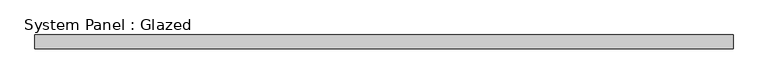
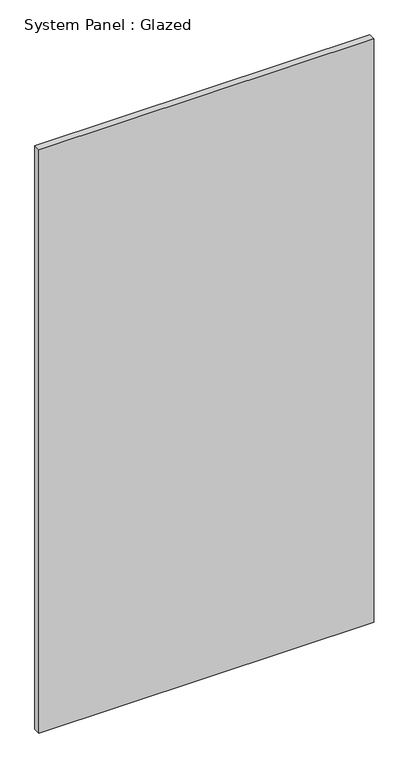
"""IFC4 building model written with IfcOpenShell, lengths in millimetres: plate geometry, System Panel : Glazed."""

from ifc_helpers import new_model, si_unit, origin, origin_with_axes, place, context, project, spatial, polyline, outline, extrude, source, transform, mapped, element, save


def system_panel_glazed_5dd155e4(model_context):
    return source(origin(), model_context, "Body", "SweptSolid", [
        extrude(outline(polyline([(631.25, 24.5), (-631.25, 24.5), (-631.25, 49.5), (631.25, 49.5), (631.25, 24.5)])), origin_with_axes(), (0.0, 0.0, 1.0), 2325.0),
    ])


if __name__ == "__main__":
    model = new_model("IFC4")
    model_context = context("Model", 3, world=origin())
    ifc_project = project(units=[si_unit("LENGTHUNIT", "METRE", prefix="MILLI")], contexts=[model_context])
    site = spatial("IfcSite", under=ifc_project)
    building = spatial("IfcBuilding", under=site)
    placement = place(None, origin())
    system_panel_glazed_shape = system_panel_glazed_5dd155e4(model_context)
    element("IfcPlate", 1, ObjectType="System Panel : Glazed", at=placement, inside=building, context=model_context, shape_type="MappedRepresentation", body=[
        mapped(system_panel_glazed_shape, transform((0.0, 0.0, 0.0), x_axis=(1.0, 0.0, 0.0), y_axis=(0.0, 1.0, 0.0), z_axis=(0.0, 0.0, 1.0))),
    ])
    save(model, "model.ifc")
